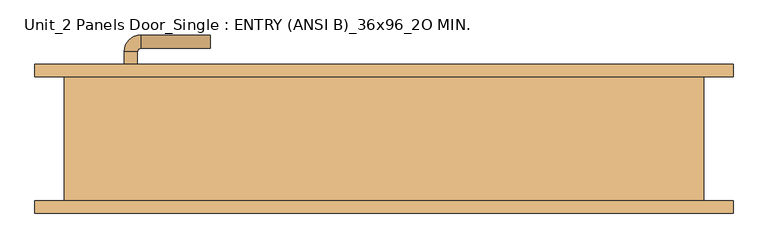
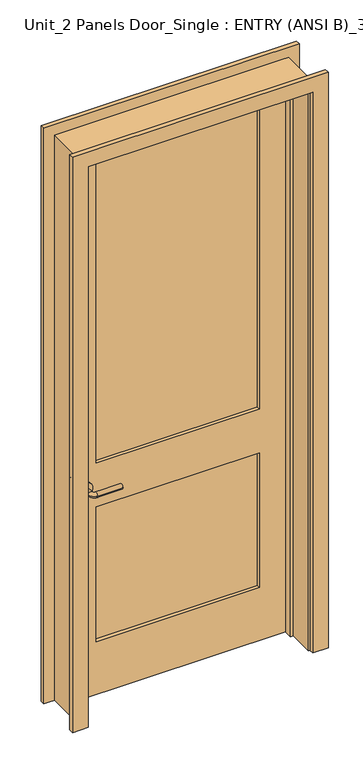
"""IFC4 building model written with IfcOpenShell, lengths in millimetres: door geometry, Unit_2 Panels Door_Single : ENTRY (ANSI B)_36x96_2O MIN.."""

from ifc_helpers import new_model, si_unit, point, frame, frame_2d, origin, place, context, project, spatial, polyline, circle_curve, ellipse_curve, trimmed, segment, composite_curve, outline, extrude, faceted_brep, source, transform, mapped, element, save
from ifc_brep_helpers import plane_surface, cylinder_surface, revolved_surface, advanced_brep


def unit_2_panels_door_single_entry_ansi_b_36x96_2o_min_397d54a2(model_context):
    return source(origin(), model_context, "Body", "SolidModel", [
        advanced_brep(
        [(-392.190625, 38.0375, 914.4), (-372.190625, 38.0375, 914.4), (-372.190625, 8.0375, 914.4), (-392.190625, 8.0375, 914.4), (-367.190625, 3.0375, 914.4), (-367.190625, -16.9625, 914.4), (-262.190625, -16.9625, 914.4), (-262.190625, 3.0375, 914.4)],
        [
            (0, 1, circle_curve(frame((-382.190625, 38.0375, 914.4), z_axis=(0.0, 1.0, 0.0), x_axis=(1.0, 0.0, 0.0)), 10.0)),
            (1, 0, circle_curve(frame((-382.190625, 38.0375, 914.4), z_axis=(0.0, 1.0, 0.0), x_axis=(1.0, 0.0, 0.0)), 10.0)),
            (1, 2),
            (2, 3, circle_curve(frame((-382.190625, 8.0375, 914.4), z_axis=(0.0, 1.0, 0.0), x_axis=(1.0, 0.0, 0.0)), 10.0)),
            (3, 0),
            (3, 2, circle_curve(frame((-382.190625, 8.0375, 914.4), z_axis=(0.0, 1.0, 0.0), x_axis=(1.0, 0.0, 0.0)), 10.0)),
            (4, 5, circle_curve(frame((-367.190625, -6.9625, 914.4), z_axis=(-1.0, 0.0, 0.0), x_axis=(0.0, 1.0, 0.0)), 10.0)),
            (5, 3, circle_curve(frame((-367.190625, 8.0375, 914.4), z_axis=(0.0, 0.0, -1.0), x_axis=(-1.0, 0.0, 0.0)), 25.0)),
            (2, 4, circle_curve(frame((-367.190625, 8.0375, 914.4), z_axis=(0.0, 0.0, 1.0), x_axis=(-1.0, 0.0, 0.0)), 5.0)),
            (5, 4, circle_curve(frame((-367.190625, -6.9625, 914.4), z_axis=(-1.0, 0.0, 0.0), x_axis=(0.0, 1.0, 0.0)), 10.0)),
            (6, 7, circle_curve(frame((-262.190625, -6.9625, 914.4), z_axis=(1.0, 0.0, 0.0), x_axis=(0.0, 1.0, 0.0)), 10.0)),
            (7, 6, circle_curve(frame((-262.190625, -6.9625, 914.4), z_axis=(1.0, 0.0, 0.0), x_axis=(0.0, 1.0, 0.0)), 10.0)),
            (4, 7),
            (6, 5),
        ],
        [
            plane_surface(frame((-382.190625, 38.0375, 914.4), z_axis=(0.0, 1.0, 0.0), x_axis=(0.0, 0.0, 1.0))),
            cylinder_surface(frame((-382.190625, 38.0375, 914.4), z_axis=(0.0, 1.0, 0.0), x_axis=(1.0, 0.0, 0.0)), 10.0),
            revolved_surface(trimmed(ellipse_curve(frame((-382.190625, 8.0375, 914.4), z_axis=(0.0, -1.0, 0.0), x_axis=(1.0, 0.0, 0.0)), 10.0, 10.0), [point((-392.190625, 8.0375, 914.4))], [point((-372.190625, 8.0375, 914.4))], True, "CARTESIAN"), (-367.190625, 8.0375, 914.4), (0.0, 0.0, -1.0)),
            revolved_surface(trimmed(ellipse_curve(frame((-382.190625, 8.0375, 914.4), z_axis=(0.0, -1.0, 0.0), x_axis=(1.0, 0.0, 0.0)), 10.0, 10.0), [point((-372.190625, 8.0375, 914.4))], [point((-392.190625, 8.0375, 914.4))], True, "CARTESIAN"), (-367.190625, 8.0375, 914.4), (0.0, 0.0, -1.0)),
            plane_surface(frame((-262.190625, -6.9625, 914.4), z_axis=(1.0, 0.0, 0.0), x_axis=(0.0, 0.0, 1.0))),
            cylinder_surface(frame((-367.190625, -6.9625, 914.4), z_axis=(-1.0, 0.0, 0.0), x_axis=(0.0, 1.0, 0.0)), 10.0),
        ],
        [
            (0, [[1, 2]]),
            (1, [[3, 4, 5, -2]]),
            (1, [[-5, 6, -3, -1]]),
            (2, [[7, 8, -4, 9]]),
            (3, [[10, -9, -6, -8]]),
            (4, [[11, 12]]),
            (5, [[13, -11, 14, -7]]),
            (5, [[-14, -12, -13, -10]]),
        ],
    ),
        extrude(outline(composite_curve([segment(trimmed(circle_curve(frame_2d((914.4, -384.690625)), 30.0), [point((914.4, -414.690625))], [point((914.4, -354.690625))], False, "CARTESIAN"), True, "CONTINUOUS"), segment(trimmed(circle_curve(frame_2d((914.4, -384.690625)), 30.0), [point((914.4, -354.690625))], [point((914.4, -414.690625))], False, "CARTESIAN"), True, "CONTINUOUS")], self_intersect=False)), frame((0.0, 38.0375, 0.0), z_axis=(0.0, 1.0, 0.0), x_axis=(0.0, 0.0, 1.0)), (0.0, 0.0, 1.0), 8.0),
        advanced_brep(
        [(-392.190625, 98.4875, 914.4), (-372.190625, 98.4875, 914.4), (-392.190625, 128.4875, 914.4), (-372.190625, 128.4875, 914.4), (-367.190625, 133.4875, 914.4), (-367.190625, 153.4875, 914.4), (-262.190625, 153.4875, 914.4), (-262.190625, 133.4875, 914.4)],
        [
            (0, 1, circle_curve(frame((-382.190625, 98.4875, 914.4), z_axis=(0.0, -1.0, 0.0), x_axis=(1.0, 0.0, 0.0)), 10.0)),
            (1, 0, circle_curve(frame((-382.190625, 98.4875, 914.4), z_axis=(0.0, -1.0, 0.0), x_axis=(1.0, 0.0, 0.0)), 10.0)),
            (0, 2),
            (2, 3, circle_curve(frame((-382.190625, 128.4875, 914.4), z_axis=(0.0, -1.0, 0.0), x_axis=(1.0, 0.0, 0.0)), 10.0)),
            (3, 1),
            (3, 2, circle_curve(frame((-382.190625, 128.4875, 914.4), z_axis=(0.0, -1.0, 0.0), x_axis=(1.0, 0.0, 0.0)), 10.0)),
            (4, 3, circle_curve(frame((-367.190625, 128.4875, 914.4), z_axis=(0.0, 0.0, 1.0), x_axis=(-1.0, 0.0, 0.0)), 5.0)),
            (2, 5, circle_curve(frame((-367.190625, 128.4875, 914.4), z_axis=(0.0, 0.0, -1.0), x_axis=(-1.0, 0.0, 0.0)), 25.0)),
            (5, 4, circle_curve(frame((-367.190625, 143.4875, 914.4), z_axis=(-1.0, 0.0, 0.0), x_axis=(0.0, -1.0, 0.0)), 10.0)),
            (4, 5, circle_curve(frame((-367.190625, 143.4875, 914.4), z_axis=(-1.0, 0.0, 0.0), x_axis=(0.0, -1.0, 0.0)), 10.0)),
            (6, 7, circle_curve(frame((-262.190625, 143.4875, 914.4), z_axis=(1.0, 0.0, 0.0), x_axis=(0.0, -1.0, 0.0)), 10.0)),
            (7, 6, circle_curve(frame((-262.190625, 143.4875, 914.4), z_axis=(1.0, 0.0, 0.0), x_axis=(0.0, -1.0, 0.0)), 10.0)),
            (5, 6),
            (7, 4),
        ],
        [
            plane_surface(frame((-382.190625, 98.4875, 914.4), z_axis=(0.0, -1.0, 0.0), x_axis=(0.0, 0.0, 1.0))),
            cylinder_surface(frame((-382.190625, 98.4875, 914.4), z_axis=(0.0, -1.0, 0.0), x_axis=(1.0, 0.0, 0.0)), 10.0),
            revolved_surface(trimmed(ellipse_curve(frame((-382.190625, 128.4875, 914.4), z_axis=(0.0, -1.0, 0.0), x_axis=(1.0, 0.0, 0.0)), 10.0, 10.0), [point((-392.190625, 128.4875, 914.4))], [point((-372.190625, 128.4875, 914.4))], True, "CARTESIAN"), (-367.190625, 128.4875, 914.4), (0.0, 0.0, -1.0)),
            revolved_surface(trimmed(ellipse_curve(frame((-382.190625, 128.4875, 914.4), z_axis=(0.0, -1.0, 0.0), x_axis=(1.0, 0.0, 0.0)), 10.0, 10.0), [point((-372.190625, 128.4875, 914.4))], [point((-392.190625, 128.4875, 914.4))], True, "CARTESIAN"), (-367.190625, 128.4875, 914.4), (0.0, 0.0, -1.0)),
            plane_surface(frame((-262.190625, 143.4875, 914.4), z_axis=(1.0, 0.0, 0.0), x_axis=(0.0, 0.0, 1.0))),
            cylinder_surface(frame((-367.190625, 143.4875, 914.4), z_axis=(-1.0, 0.0, 0.0), x_axis=(0.0, -1.0, 0.0)), 10.0),
        ],
        [
            (0, [[1, 2]]),
            (1, [[-1, 3, 4, 5]]),
            (1, [[-2, -5, 6, -3]]),
            (2, [[7, -4, 8, 9]]),
            (3, [[-8, -6, -7, 10]]),
            (4, [[11, 12]]),
            (5, [[-9, 13, -12, 14]]),
            (5, [[-10, -14, -11, -13]]),
        ],
    ),
        extrude(outline(composite_curve([segment(trimmed(circle_curve(frame_2d((914.4, -384.690625)), 30.0), [point((914.4, -414.690625))], [point((914.4, -354.690625))], False, "CARTESIAN"), True, "CONTINUOUS"), segment(trimmed(circle_curve(frame_2d((914.4, -384.690625)), 30.0), [point((914.4, -354.690625))], [point((914.4, -414.690625))], False, "CARTESIAN"), True, "CONTINUOUS")], self_intersect=False)), frame((0.0, 90.4875, 0.0), z_axis=(0.0, 1.0, 0.0), x_axis=(0.0, 0.0, 1.0)), (0.0, 0.0, 1.0), 8.0),
        extrude(outline(polyline([(336.55, 60.8541667), (-336.55, 60.8541667), (-336.55, 75.6708333), (336.55, 75.6708333), (336.55, 60.8541667)])), frame((0.0, 0.0, 1009.65), z_axis=(0.0, 0.0, 1.0), x_axis=(1.0, 0.0, 0.0)), (0.0, 0.0, 1.0), 1309.6875),
        extrude(outline(polyline([(336.55, 60.8541667), (-336.55, 60.8541667), (-336.55, 75.6708333), (336.55, 75.6708333), (336.55, 60.8541667)])), frame((0.0, 0.0, 231.775), z_axis=(0.0, 0.0, 1.0), x_axis=(1.0, 0.0, 0.0)), (0.0, 0.0, 1.0), 587.375),
        extrude(outline(polyline([(2438.4, -457.2), (0.0, -457.2), (0.0, 457.2), (2438.4, 457.2), (2438.4, -457.2)]), holes=[polyline([(2319.3375, -336.55), (2319.3375, 336.55), (1009.65, 336.55), (1009.65, -336.55), (2319.3375, -336.55)]), polyline([(819.15, -336.55), (819.15, 336.55), (231.775, 336.55), (231.775, -336.55), (819.15, -336.55)])]), frame((0.0, 46.0375, 0.0), z_axis=(0.0, 1.0, 0.0), x_axis=(0.0, 0.0, 1.0)), (0.0, 0.0, 1.0), 44.45),
        faceted_brep([(482.6, 90.4875, 0.0), (482.6, -96.8375, 0.0), (457.2, -96.8375, 0.0), (457.2, 11.1125, 0.0), (444.5, 11.1125, 0.0), (444.5, 46.0375, 0.0), (457.2, 46.0375, 0.0), (457.2, 90.4875, 0.0), (482.6, 90.4875, 2463.8), (482.6, -96.8375, 2463.8), (-482.6, -96.8375, 2463.8), (-482.6, -96.8375, 0.0), (-457.2, -96.8375, 0.0), (-457.2, -96.8375, 2438.4), (457.2, -96.8375, 2438.4), (457.2, 11.1125, 2438.4), (-457.2, 11.1125, 2438.4), (-457.2, 11.1125, 0.0), (-444.5, 11.1125, 0.0), (-444.5, 11.1125, 2425.7), (444.5, 11.1125, 2425.7), (444.5, 46.0375, 2425.7), (-444.5, 46.0375, 2425.7), (-444.5, 46.0375, 0.0), (-457.2, 46.0375, 0.0), (-457.2, 46.0375, 2438.4), (457.2, 46.0375, 2438.4), (457.2, 90.4875, 2438.4), (-457.2, 90.4875, 2438.4), (-457.2, 90.4875, 0.0), (-482.6, 90.4875, 0.0), (-482.6, 90.4875, 2463.8)], [[[0, 1, 2, 3, 4, 5, 6, 7]], [[1, 0, 8, 9]], [[2, 1, 9, 10, 11, 12, 13, 14]], [[3, 2, 14, 15]], [[4, 3, 15, 16, 17, 18, 19, 20]], [[5, 4, 20, 21]], [[6, 5, 21, 22, 23, 24, 25, 26]], [[7, 6, 26, 27]], [[0, 7, 27, 28, 29, 30, 31, 8]], [[9, 8, 31, 10]], [[15, 14, 13, 16]], [[21, 20, 19, 22]], [[27, 26, 25, 28]], [[30, 29, 24, 23, 18, 17, 12, 11]], [[10, 31, 30, 11]], [[16, 13, 12, 17]], [[22, 19, 18, 23]], [[28, 25, 24, 29]]]),
        extrude(outline(polyline([(0.0, 463.55), (0.0, 527.05), (2508.25, 527.05), (2508.25, -527.05), (0.0, -527.05), (0.0, -463.55), (2444.75, -463.55), (2444.75, 463.55), (0.0, 463.55)])), frame((0.0, -115.8875, 0.0), z_axis=(0.0, 1.0, 0.0), x_axis=(0.0, 0.0, 1.0)), (0.0, 0.0, 1.0), 19.05),
        extrude(outline(polyline([(0.0, 463.55), (0.0, 527.05), (2508.25, 527.05), (2508.25, -527.05), (0.0, -527.05), (0.0, -463.55), (2444.75, -463.55), (2444.75, 463.55), (0.0, 463.55)])), frame((0.0, 90.4875, 0.0), z_axis=(0.0, 1.0, 0.0), x_axis=(0.0, 0.0, 1.0)), (0.0, 0.0, 1.0), 19.05),
    ])


if __name__ == "__main__":
    model = new_model("IFC4")
    model_context = context("Model", 3, world=origin())
    ifc_project = project(units=[si_unit("LENGTHUNIT", "METRE", prefix="MILLI")], contexts=[model_context])
    site = spatial("IfcSite", under=ifc_project)
    building = spatial("IfcBuilding", under=site)
    placement = place(None, origin())
    unit_2_panels_door_single_entry_ansi_b_36x96_2o_min_shape = unit_2_panels_door_single_entry_ansi_b_36x96_2o_min_397d54a2(model_context)
    element("IfcDoor", 1, ObjectType="Unit_2 Panels Door_Single : ENTRY (ANSI B)_36x96_2O MIN.", at=placement, inside=building, context=model_context, shape_type="MappedRepresentation", body=[
        mapped(unit_2_panels_door_single_entry_ansi_b_36x96_2o_min_shape, transform((0.0, 0.0, 0.0), x_axis=(1.0, 0.0, 0.0), y_axis=(0.0, 1.0, 0.0), z_axis=(0.0, 0.0, 1.0))),
    ])
    save(model, "model.ifc")
